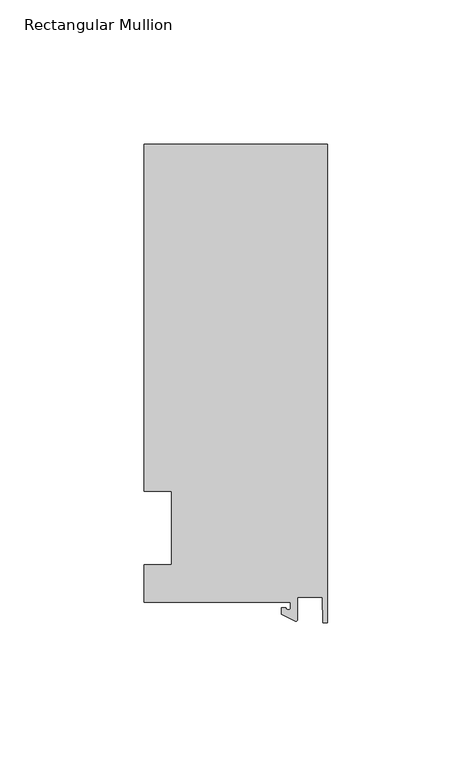
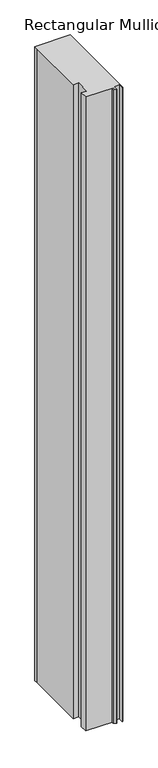
"""IFC4 building model written with IfcOpenShell, lengths in millimetres: member geometry, Rectangular Mullion."""

from ifc_helpers import new_model, si_unit, point, frame, frame_2d, origin, place, context, project, spatial, polyline, circle_curve, trimmed, segment, composite_curve, outline, extrude, source, transform, mapped, element, save


def rectangular_mullion_e4f30b5a(model_context):
    return source(origin(), model_context, "Body", "SweptSolid", [
        extrude(outline(composite_curve([segment(polyline([(-12.8216721, -25.5984375), (-63.5, -25.5984375), (-63.5, -12.7), (-53.975, -12.7), (-53.975, 12.7), (-63.5, 12.7), (-63.5, 125.075512), (-63.5, 132.822512), (0.0, 132.822512), (0.0, -32.810012), (-1.5566453, -32.810012), (-1.7144124, -23.9227662), (-10.4340721, -23.9227662), (-10.4340721, -31.6795354)]), True, "CONTINUOUS"), segment(trimmed(circle_curve(frame_2d((-10.9420721, -31.6795354)), 0.508), [point((-10.4340721, -31.6795354))], [point((-11.1567622, -32.1399398))], False, "CARTESIAN"), True, "CONTINUOUS"), segment(polyline([(-11.1567622, -32.1399398), (-15.9966721, -29.8830527), (-15.9966721, -27.5208534), (-14.4091721, -27.5208534)]), True, "CONTINUOUS"), segment(trimmed(circle_curve(frame_2d((-13.6154221, -27.5208534)), 0.79375), [point((-14.4091721, -27.5208534))], [point((-12.8216721, -27.5208534))], True, "CARTESIAN"), True, "CONTINUOUS"), segment(polyline([(-12.8216721, -27.5208534), (-12.8216721, -25.5984375)]), True, "CONTINUOUS")], self_intersect=False)), frame((0.0, 0.0, -1210.7333333), z_axis=(0.0, 0.0, 1.0), x_axis=(1.0, 0.0, 0.0)), (0.0, 0.0, 1.0), 1210.7333333),
    ])


if __name__ == "__main__":
    model = new_model("IFC4")
    model_context = context("Model", 3, world=origin())
    ifc_project = project(units=[si_unit("LENGTHUNIT", "METRE", prefix="MILLI")], contexts=[model_context])
    site = spatial("IfcSite", under=ifc_project)
    building = spatial("IfcBuilding", under=site)
    placement = place(None, origin())
    rectangular_mullion_shape = rectangular_mullion_e4f30b5a(model_context)
    element("IfcMember", 1, ObjectType="Rectangular Mullion", at=placement, inside=building, context=model_context, shape_type="MappedRepresentation", body=[
        mapped(rectangular_mullion_shape, transform((0.0, 0.0, 0.0), x_axis=(1.0, 0.0, 0.0), y_axis=(0.0, 1.0, 0.0), z_axis=(0.0, 0.0, 1.0))),
    ])
    save(model, "model.ifc")
